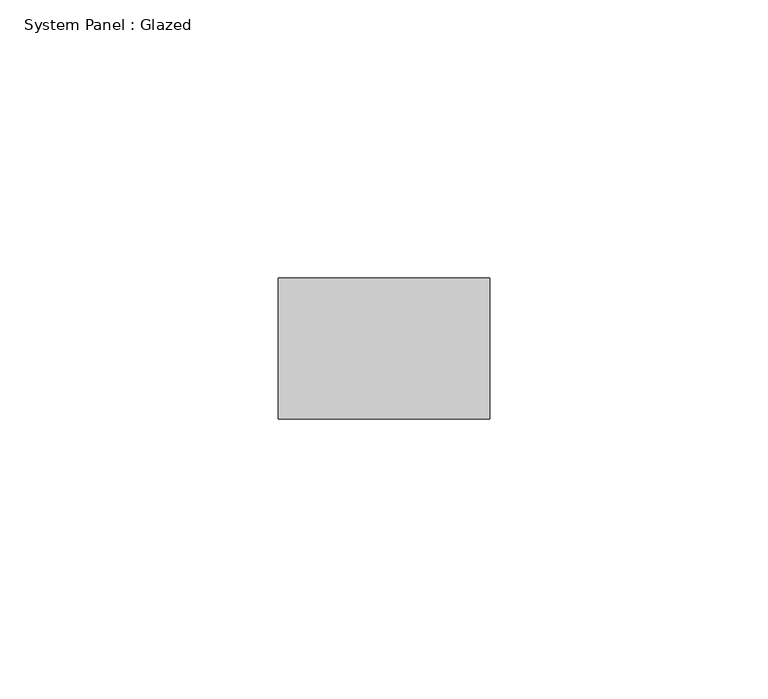
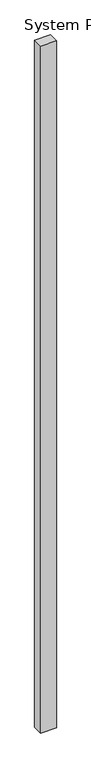
"""IFC4 building model written with IfcOpenShell, lengths in millimetres: plate geometry, System Panel : Glazed."""

from ifc_helpers import new_model, si_unit, origin, origin_with_axes, place, context, project, spatial, polyline, outline, extrude, source, transform, mapped, element, save


def system_panel_glazed_ce24c1e9(model_context):
    return source(origin(), model_context, "Body", "SweptSolid", [
        extrude(outline(polyline([(19.05, -44.45), (-19.05, -44.45), (-19.05, -19.05), (19.05, -19.05), (19.05, -44.45)])), origin_with_axes(), (0.0, 0.0, 1.0), 1771.65),
    ])


if __name__ == "__main__":
    model = new_model("IFC4")
    model_context = context("Model", 3, world=origin())
    ifc_project = project(units=[si_unit("LENGTHUNIT", "METRE", prefix="MILLI")], contexts=[model_context])
    site = spatial("IfcSite", under=ifc_project)
    building = spatial("IfcBuilding", under=site)
    placement = place(None, origin())
    system_panel_glazed_shape = system_panel_glazed_ce24c1e9(model_context)
    element("IfcPlate", 1, ObjectType="System Panel : Glazed", at=placement, inside=building, context=model_context, shape_type="MappedRepresentation", body=[
        mapped(system_panel_glazed_shape, transform((0.0, 0.0, 0.0), x_axis=(1.0, 0.0, 0.0), y_axis=(0.0, 1.0, 0.0), z_axis=(0.0, 0.0, 1.0))),
    ])
    save(model, "model.ifc")
